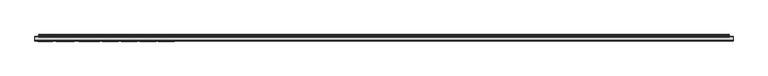
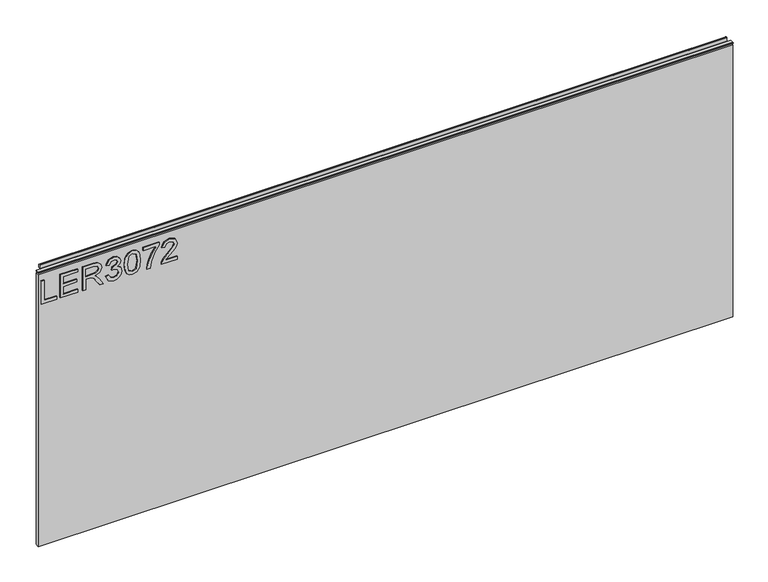
"""IFC4 building model written with IfcOpenShell, lengths in millimetres: furniture geometry."""

from ifc_helpers import new_model, si_unit, frame, origin, place, context, project, spatial, polyline, outline, extrude, source, transform, mapped, element, save


def furniture_d0cbb0d3(model_context):
    return source(origin(), model_context, "Body", "SweptSolid", [
        extrude(outline(polyline([(773.6078, -291.2207845), (773.6078, -251.3521864), (781.5815196, -251.3521864), (781.5815196, -283.2470649), (837.3975569, -283.2470649), (837.3975569, -291.2207845), (773.6078, -291.2207845)])), frame((0.0, -5.5130009, 0.0), z_axis=(0.0, 1.0, 0.0), x_axis=(0.0, 0.0, 1.0)), (0.0, 0.0, 1.0), 2.38125),
        extrude(outline(polyline([(773.6078, -242.3817519), (773.6078, -195.5361491), (781.5815196, -195.5361491), (781.5815196, -234.4080323), (802.5125336, -234.4080323), (802.5125336, -198.526294), (810.4862532, -198.526294), (810.4862532, -234.4080323), (829.4238373, -234.4080323), (829.4238373, -196.5328641), (837.3975569, -196.5328641), (837.3975569, -242.3817519), (773.6078, -242.3817519)])), frame((0.0, -5.5130009, 0.0), z_axis=(0.0, 1.0, 0.0), x_axis=(0.0, 0.0, 1.0)), (0.0, 0.0, 1.0), 2.38125),
        extrude(outline(polyline([(773.6078, -183.5755697), (773.6078, -175.6018501), (801.5158187, -175.6018501), (801.5158187, -165.9773213), (801.2354926, -161.351941), (799.7170596, -157.5597521), (795.58225, -153.347074), (786.8298468, -147.3512106), (773.6078, -139.0504439), (773.6078, -129.7841096), (790.894575, -140.420927), (799.1018996, -146.8840005), (802.5125336, -151.4159388), (808.4461023, -138.0615158), (819.9394716, -133.7398221), (829.5873609, -136.348412), (835.6766663, -143.3254167), (837.3975569, -156.0880401), (837.3975569, -183.5755697), (773.6078, -183.5755697)]), holes=[polyline([(809.4895383, -175.6018501), (829.4238373, -175.6018501), (829.4238373, -155.7454194), (826.6672975, -145.0852415), (819.6435719, -141.7135417), (814.2317211, -143.4811534), (810.6186294, -148.6516122), (809.4895383, -157.754423), (809.4895383, -175.6018501)])]), frame((0.0, -5.5130009, 0.0), z_axis=(0.0, 1.0, 0.0), x_axis=(0.0, 0.0, 1.0)), (0.0, 0.0, 1.0), 2.38125),
        extrude(outline(polyline([(790.5519542, -122.7759576), (777.6102335, -116.4374734), (772.611085, -102.4523168), (774.0750101, -93.9296252), (778.4667854, -87.0188087), (784.9610063, -82.4401494), (792.7322681, -80.9139296), (803.1043331, -83.9663691), (808.555118, -92.6564776), (813.8345925, -86.1155358), (821.1853653, -83.9040745), (829.2291664, -86.2323383), (835.2094562, -92.9601642), (837.3975569, -102.5769061), (832.9590607, -115.2538744), (820.4534028, -121.7792426), (819.4566878, -113.805523), (826.9320499, -109.8965316), (829.4238373, -102.2965801), (826.9554105, -94.7900706), (820.7181552, -91.8777941), (813.6788558, -95.8958012), (811.4829682, -106.2211452), (803.5092486, -107.1088444), (804.3813742, -101.5178965), (801.11869, -92.4540199), (792.8724312, -88.8876492), (784.120028, -92.4851673), (780.5848047, -102.1719907), (783.1544604, -110.4026759), (791.5486691, -114.802238), (790.5519542, -122.7759576)])), frame((0.0, -5.5130009, 0.0), z_axis=(0.0, 1.0, 0.0), x_axis=(0.0, 0.0, 1.0)), (0.0, 0.0, 1.0), 2.38125),
        extrude(outline(polyline([(804.9887473, -73.9369249), (789.4734775, -72.3484105), (778.6848168, -67.5828671), (774.129518, -61.291104), (772.611085, -53.0059109), (776.1073742, -41.3334444), (786.7130443, -34.3953739), (804.9887473, -32.0748969), (819.9784058, -33.5232484), (829.4160505, -37.2609294), (835.3418324, -43.6928556), (837.3975569, -53.0059109), (833.9246283, -64.6316564), (823.3423188, -71.5930874), (804.9887473, -73.9369249)]), holes=[polyline([(805.004321, -65.9632053), (825.1566514, -62.1009349), (829.4238373, -53.099353), (824.5804256, -43.6617083), (805.004321, -40.0486166), (785.2179718, -43.7862976), (780.5848047, -53.0059109), (785.2023982, -62.2255242), (805.004321, -65.9632053)])]), frame((0.0, -5.5130009, 0.0), z_axis=(0.0, 1.0, 0.0), x_axis=(0.0, 0.0, 1.0)), (0.0, 0.0, 1.0), 2.38125),
        extrude(outline(polyline([(828.4271224, -25.0978923), (828.4271224, 8.7904161), (811.9268178, -3.2636054), (791.5953902, -11.9615007), (773.6078, -15.1307428), (773.6078, -7.1570231), (790.941296, -4.1980256), (812.7989434, 4.8892115), (829.9533421, 16.7641357), (836.400842, 16.7641357), (836.400842, -25.0978923), (828.4271224, -25.0978923)])), frame((0.0, -5.5130009, 0.0), z_axis=(0.0, 1.0, 0.0), x_axis=(0.0, 0.0, 1.0)), (0.0, 0.0, 1.0), 2.38125),
        extrude(outline(polyline([(781.5815196, 64.6064534), (781.5815196, 33.2878008), (785.6384609, 36.8853188), (793.308494, 46.0582111), (804.2334243, 57.4814989), (812.0514072, 62.1925344), (819.6124245, 63.6097385), (832.2893928, 58.3536245), (837.3975569, 44.0803549), (832.803324, 29.8538063), (819.4566878, 23.7411404), (818.4599729, 31.71486), (826.5115608, 35.0709861), (829.4238373, 43.9090445), (826.4414793, 52.3889084), (819.1296407, 55.6360189), (810.0969115, 52.1942375), (796.81257, 38.4271123), (787.5695962, 28.4443891), (779.1053059, 23.6009773), (773.6078, 22.7444254), (773.6078, 64.6064534), (781.5815196, 64.6064534)])), frame((0.0, -5.5130009, 0.0), z_axis=(0.0, 1.0, 0.0), x_axis=(0.0, 0.0, 1.0)), (0.0, 0.0, 1.0), 2.38125),
        extrude(outline(polyline([(5.5562561, 863.6), (6.3500061, 863.6), (6.3500061, 873.47425), (7.1437561, 874.268), (8.6677569, 874.268), (10.0084363, 873.8506926), (10.875413, 872.7461816), (10.9623604, 871.3447591), (10.2390011, 868.3863459), (10.4046103, 867.1833307), (11.6746103, 864.9836103), (10.7786383, 864.4663244), (7.1437561, 864.4663244), (7.1437561, 863.6), (6.3500061, 863.3669239), (6.3500061, 856.1578), (5.5562561, 856.1578), (5.5562561, 863.6)])), frame((-288.671, 0.0, 0.0), z_axis=(1.0, 0.0, 0.0), x_axis=(0.0, 1.0, 0.0)), (0.0, 0.0, 1.0), 1796.542),
        extrude(outline(polyline([(5.5562561, 863.6), (5.5562561, 860.4249996), (-3.975094, 860.4249996), (-5.3492339, 861.2183657), (-5.3492339, 862.8066395), (-3.9751037, 863.6), (5.5562561, 863.6)])), frame((-298.196, 0.0, 0.0), z_axis=(1.0, 0.0, 0.0), x_axis=(0.0, 1.0, 0.0)), (0.0, 0.0, 1.0), 1815.592),
        extrude(outline(polyline([(1517.396, 6.3500061), (1517.396, -3.1749939), (-298.196, -3.1749939), (-298.196, 6.3500061), (1517.396, 6.3500061)])), frame((0.0, 0.0, 104.69626), z_axis=(0.0, 0.0, 1.0), x_axis=(1.0, 0.0, 0.0)), (0.0, 0.0, 1.0), 751.46154),
    ])


if __name__ == "__main__":
    model = new_model("IFC4")
    model_context = context("Model", 3, world=origin())
    ifc_project = project(units=[si_unit("LENGTHUNIT", "METRE", prefix="MILLI")], contexts=[model_context])
    site = spatial("IfcSite", under=ifc_project)
    building = spatial("IfcBuilding", under=site)
    placement = place(None, origin())
    furniture_shape = furniture_d0cbb0d3(model_context)
    element("IfcFurniture", 1, at=placement, inside=building, context=model_context, shape_type="MappedRepresentation", body=[
        mapped(furniture_shape, transform((0.0, 0.0, 0.0), x_axis=(1.0, 0.0, 0.0), y_axis=(0.0, 1.0, 0.0), z_axis=(0.0, 0.0, 1.0))),
    ])
    save(model, "model.ifc")
